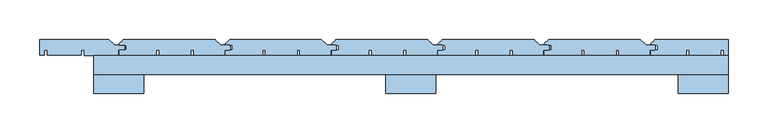
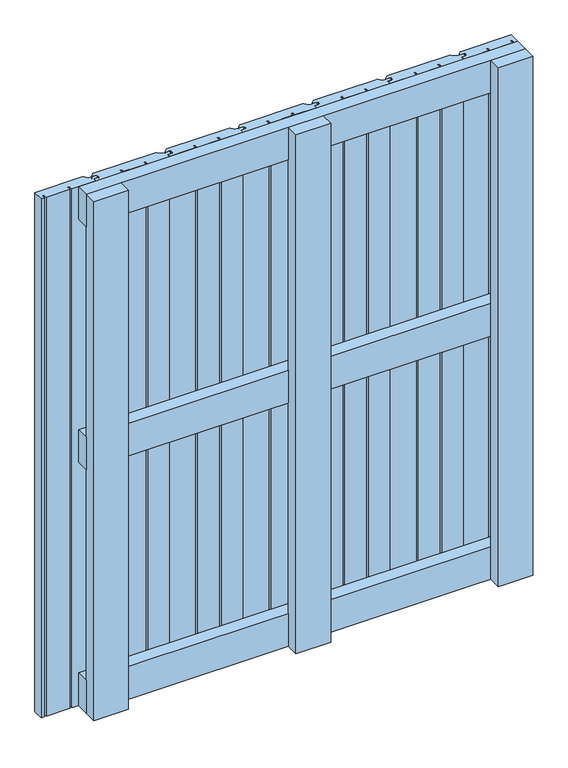
"""IFC4 building model written with IfcOpenShell, lengths in millimetres: window geometry."""

from ifc_helpers import new_model, si_unit, point, frame, frame_2d, origin, place, context, project, spatial, polyline, circle_curve, trimmed, segment, composite_curve, outline, extrude, source, transform, mapped, element, save


def window_229eb065(model_context):
    return source(origin(), model_context, "Body", "SweptSolid", [
        extrude(outline(polyline([(400.0, 60.1), (400.0, 36.1), (-400.0, 36.1), (-400.0, 60.1), (400.0, 60.1)])), frame((0.0, 0.0, 568.5), z_axis=(0.0, 0.0, 1.0), x_axis=(1.0, 0.0, 0.0)), (0.0, 0.0, 1.0), 63.0),
        extrude(outline(polyline([(400.0, 60.0), (400.0, 36.0), (-400.0, 36.0), (-400.0, 60.0), (400.0, 60.0)])), frame((0.0, 0.0, 1037.0), z_axis=(0.0, 0.0, 1.0), x_axis=(1.0, 0.0, 0.0)), (0.0, 0.0, 1.0), 63.0),
        extrude(outline(polyline([(400.0, 60.0), (400.0, 36.0), (-400.0, 36.0), (-400.0, 60.0), (400.0, 60.0)])), frame((0.0, 0.0, 100.0), z_axis=(0.0, 0.0, 1.0), x_axis=(1.0, 0.0, 0.0)), (0.0, 0.0, 1.0), 63.0),
        extrude(outline(composite_curve([segment(polyline([(-367.0, 66.5), (-360.5, 66.5)]), True, "CONTINUOUS"), segment(trimmed(circle_curve(frame_2d((-360.5, 68.0)), 1.5), [point((-360.5, 66.5))], [point((-359.0, 68.0))], True, "CARTESIAN"), True, "CONTINUOUS"), segment(polyline([(-359.0, 68.0), (-359.0, 71.5)]), True, "CONTINUOUS"), segment(trimmed(circle_curve(frame_2d((-360.5, 71.5)), 1.5), [point((-359.0, 71.5))], [point((-360.5, 73.0))], True, "CARTESIAN"), True, "CONTINUOUS"), segment(polyline([(-360.5, 73.0), (-367.0, 73.0)]), True, "CONTINUOUS"), segment(trimmed(circle_curve(frame_2d((-367.0, 74.0)), 1.0), [point((-367.0, 73.0))], [point((-367.7071068, 74.7071068))], False, "CARTESIAN"), True, "CONTINUOUS"), segment(polyline([(-367.7071068, 74.7071068), (-362.8535534, 79.5606602)]), True, "CONTINUOUS"), segment(trimmed(circle_curve(frame_2d((-361.7928932, 78.5)), 1.5), [point((-362.8535534, 79.5606602))], [point((-361.7928932, 80.0))], False, "CARTESIAN"), True, "CONTINUOUS"), segment(polyline([(-361.7928932, 80.0), (-247.6213203, 80.0)]), True, "CONTINUOUS"), segment(trimmed(circle_curve(frame_2d((-247.6213203, 78.5)), 1.5), [point((-247.6213203, 80.0))], [point((-246.5606602, 79.5606602))], False, "CARTESIAN"), True, "CONTINUOUS"), segment(polyline([(-246.5606602, 79.5606602), (-240.2928932, 73.2928932)]), True, "CONTINUOUS"), segment(trimmed(circle_curve(frame_2d((-239.5857864, 74.0)), 1.0), [point((-240.2928932, 73.2928932))], [point((-239.5857864, 73.0))], True, "CARTESIAN"), True, "CONTINUOUS"), segment(polyline([(-239.5857864, 73.0), (-229.5, 73.0)]), True, "CONTINUOUS"), segment(trimmed(circle_curve(frame_2d((-229.5, 71.5)), 1.5), [point((-229.5, 73.0))], [point((-228.0, 71.5))], False, "CARTESIAN"), True, "CONTINUOUS"), segment(polyline([(-228.0, 71.5), (-228.0, 68.0)]), True, "CONTINUOUS"), segment(trimmed(circle_curve(frame_2d((-229.5, 68.0)), 1.5), [point((-228.0, 68.0))], [point((-229.5, 66.5))], False, "CARTESIAN"), True, "CONTINUOUS"), segment(polyline([(-229.5, 66.5), (-235.0, 66.5), (-235.0, 60.0), (-274.0, 60.0), (-274.0, 66.5), (-277.5, 66.5), (-277.5, 60.5), (-317.5, 60.5), (-317.5, 66.5), (-321.0, 66.5), (-321.0, 60.0), (-368.0, 60.0), (-368.0, 65.5)]), True, "CONTINUOUS"), segment(trimmed(circle_curve(frame_2d((-367.0, 65.5)), 1.0), [point((-368.0, 65.5))], [point((-367.0, 66.5))], False, "CARTESIAN"), True, "CONTINUOUS")], self_intersect=False)), frame((0.0, 0.0, 100.0), z_axis=(0.0, 0.0, 1.0), x_axis=(1.0, 0.0, 0.0)), (0.0, 0.0, 1.0), 1000.0),
        extrude(outline(composite_curve([segment(polyline([(-233.0, 66.5), (-226.5, 66.5)]), True, "CONTINUOUS"), segment(trimmed(circle_curve(frame_2d((-226.5, 68.0)), 1.5), [point((-226.5, 66.5))], [point((-225.0, 68.0))], True, "CARTESIAN"), True, "CONTINUOUS"), segment(polyline([(-225.0, 68.0), (-225.0, 71.5)]), True, "CONTINUOUS"), segment(trimmed(circle_curve(frame_2d((-226.5, 71.5)), 1.5), [point((-225.0, 71.5))], [point((-226.5, 73.0))], True, "CARTESIAN"), True, "CONTINUOUS"), segment(polyline([(-226.5, 73.0), (-233.0, 73.0)]), True, "CONTINUOUS"), segment(trimmed(circle_curve(frame_2d((-233.0, 74.0)), 1.0), [point((-233.0, 73.0))], [point((-233.7071068, 74.7071068))], False, "CARTESIAN"), True, "CONTINUOUS"), segment(polyline([(-233.7071068, 74.7071068), (-228.8535534, 79.5606602)]), True, "CONTINUOUS"), segment(trimmed(circle_curve(frame_2d((-227.7928932, 78.5)), 1.5), [point((-228.8535534, 79.5606602))], [point((-227.7928932, 80.0))], False, "CARTESIAN"), True, "CONTINUOUS"), segment(polyline([(-227.7928932, 80.0), (-113.6213203, 80.0)]), True, "CONTINUOUS"), segment(trimmed(circle_curve(frame_2d((-113.6213203, 78.5)), 1.5), [point((-113.6213203, 80.0))], [point((-112.5606602, 79.5606602))], False, "CARTESIAN"), True, "CONTINUOUS"), segment(polyline([(-112.5606602, 79.5606602), (-106.2928932, 73.2928932)]), True, "CONTINUOUS"), segment(trimmed(circle_curve(frame_2d((-105.5857864, 74.0)), 1.0), [point((-106.2928932, 73.2928932))], [point((-105.5857864, 73.0))], True, "CARTESIAN"), True, "CONTINUOUS"), segment(polyline([(-105.5857864, 73.0), (-95.5, 73.0)]), True, "CONTINUOUS"), segment(trimmed(circle_curve(frame_2d((-95.5, 71.5)), 1.5), [point((-95.5, 73.0))], [point((-94.0, 71.5))], False, "CARTESIAN"), True, "CONTINUOUS"), segment(polyline([(-94.0, 71.5), (-94.0, 68.0)]), True, "CONTINUOUS"), segment(trimmed(circle_curve(frame_2d((-95.5, 68.0)), 1.5), [point((-94.0, 68.0))], [point((-95.5, 66.5))], False, "CARTESIAN"), True, "CONTINUOUS"), segment(polyline([(-95.5, 66.5), (-101.0, 66.5), (-101.0, 60.0), (-140.0, 60.0), (-140.0, 66.5), (-143.5, 66.5), (-143.5, 60.5), (-183.5, 60.5), (-183.5, 66.5), (-187.0, 66.5), (-187.0, 60.0), (-234.0, 60.0), (-234.0, 65.5)]), True, "CONTINUOUS"), segment(trimmed(circle_curve(frame_2d((-233.0, 65.5)), 1.0), [point((-234.0, 65.5))], [point((-233.0, 66.5))], False, "CARTESIAN"), True, "CONTINUOUS")], self_intersect=False)), frame((0.0, 0.0, 100.0), z_axis=(0.0, 0.0, 1.0), x_axis=(1.0, 0.0, 0.0)), (0.0, 0.0, 1.0), 1000.0),
        extrude(outline(composite_curve([segment(polyline([(-99.0, 66.5), (-92.5, 66.5)]), True, "CONTINUOUS"), segment(trimmed(circle_curve(frame_2d((-92.5, 68.0)), 1.5), [point((-92.5, 66.5))], [point((-91.0, 68.0))], True, "CARTESIAN"), True, "CONTINUOUS"), segment(polyline([(-91.0, 68.0), (-91.0, 71.5)]), True, "CONTINUOUS"), segment(trimmed(circle_curve(frame_2d((-92.5, 71.5)), 1.5), [point((-91.0, 71.5))], [point((-92.5, 73.0))], True, "CARTESIAN"), True, "CONTINUOUS"), segment(polyline([(-92.5, 73.0), (-99.0, 73.0)]), True, "CONTINUOUS"), segment(trimmed(circle_curve(frame_2d((-99.0, 74.0)), 1.0), [point((-99.0, 73.0))], [point((-99.7071068, 74.7071068))], False, "CARTESIAN"), True, "CONTINUOUS"), segment(polyline([(-99.7071068, 74.7071068), (-94.8535534, 79.5606602)]), True, "CONTINUOUS"), segment(trimmed(circle_curve(frame_2d((-93.7928932, 78.5)), 1.5), [point((-94.8535534, 79.5606602))], [point((-93.7928932, 80.0))], False, "CARTESIAN"), True, "CONTINUOUS"), segment(polyline([(-93.7928932, 80.0), (20.3786797, 80.0)]), True, "CONTINUOUS"), segment(trimmed(circle_curve(frame_2d((20.3786797, 78.5)), 1.5), [point((20.3786797, 80.0))], [point((21.4393398, 79.5606602))], False, "CARTESIAN"), True, "CONTINUOUS"), segment(polyline([(21.4393398, 79.5606602), (27.7071068, 73.2928932)]), True, "CONTINUOUS"), segment(trimmed(circle_curve(frame_2d((28.4142136, 74.0)), 1.0), [point((27.7071068, 73.2928932))], [point((28.4142136, 73.0))], True, "CARTESIAN"), True, "CONTINUOUS"), segment(polyline([(28.4142136, 73.0), (38.5, 73.0)]), True, "CONTINUOUS"), segment(trimmed(circle_curve(frame_2d((38.5, 71.5)), 1.5), [point((38.5, 73.0))], [point((40.0, 71.5))], False, "CARTESIAN"), True, "CONTINUOUS"), segment(polyline([(40.0, 71.5), (40.0, 68.0)]), True, "CONTINUOUS"), segment(trimmed(circle_curve(frame_2d((38.5, 68.0)), 1.5), [point((40.0, 68.0))], [point((38.5, 66.5))], False, "CARTESIAN"), True, "CONTINUOUS"), segment(polyline([(38.5, 66.5), (33.0, 66.5), (33.0, 60.0), (-6.0, 60.0), (-6.0, 66.5), (-9.5, 66.5), (-9.5, 60.5), (-49.5, 60.5), (-49.5, 66.5), (-53.0, 66.5), (-53.0, 60.0), (-100.0, 60.0), (-100.0, 65.5)]), True, "CONTINUOUS"), segment(trimmed(circle_curve(frame_2d((-99.0, 65.5)), 1.0), [point((-100.0, 65.5))], [point((-99.0, 66.5))], False, "CARTESIAN"), True, "CONTINUOUS")], self_intersect=False)), frame((0.0, 0.0, 100.0), z_axis=(0.0, 0.0, 1.0), x_axis=(1.0, 0.0, 0.0)), (0.0, 0.0, 1.0), 1000.0),
        extrude(outline(composite_curve([segment(polyline([(35.0, 66.5), (41.5, 66.5)]), True, "CONTINUOUS"), segment(trimmed(circle_curve(frame_2d((41.5, 68.0)), 1.5), [point((41.5, 66.5))], [point((43.0, 68.0))], True, "CARTESIAN"), True, "CONTINUOUS"), segment(polyline([(43.0, 68.0), (43.0, 71.5)]), True, "CONTINUOUS"), segment(trimmed(circle_curve(frame_2d((41.5, 71.5)), 1.5), [point((43.0, 71.5))], [point((41.5, 73.0))], True, "CARTESIAN"), True, "CONTINUOUS"), segment(polyline([(41.5, 73.0), (35.0, 73.0)]), True, "CONTINUOUS"), segment(trimmed(circle_curve(frame_2d((35.0, 74.0)), 1.0), [point((35.0, 73.0))], [point((34.2928932, 74.7071068))], False, "CARTESIAN"), True, "CONTINUOUS"), segment(polyline([(34.2928932, 74.7071068), (39.1464466, 79.5606602)]), True, "CONTINUOUS"), segment(trimmed(circle_curve(frame_2d((40.2071068, 78.5)), 1.5), [point((39.1464466, 79.5606602))], [point((40.2071068, 80.0))], False, "CARTESIAN"), True, "CONTINUOUS"), segment(polyline([(40.2071068, 80.0), (154.3786797, 80.0)]), True, "CONTINUOUS"), segment(trimmed(circle_curve(frame_2d((154.3786797, 78.5)), 1.5), [point((154.3786797, 80.0))], [point((155.4393398, 79.5606602))], False, "CARTESIAN"), True, "CONTINUOUS"), segment(polyline([(155.4393398, 79.5606602), (161.7071068, 73.2928932)]), True, "CONTINUOUS"), segment(trimmed(circle_curve(frame_2d((162.4142136, 74.0)), 1.0), [point((161.7071068, 73.2928932))], [point((162.4142136, 73.0))], True, "CARTESIAN"), True, "CONTINUOUS"), segment(polyline([(162.4142136, 73.0), (172.5, 73.0)]), True, "CONTINUOUS"), segment(trimmed(circle_curve(frame_2d((172.5, 71.5)), 1.5), [point((172.5, 73.0))], [point((174.0, 71.5))], False, "CARTESIAN"), True, "CONTINUOUS"), segment(polyline([(174.0, 71.5), (174.0, 68.0)]), True, "CONTINUOUS"), segment(trimmed(circle_curve(frame_2d((172.5, 68.0)), 1.5), [point((174.0, 68.0))], [point((172.5, 66.5))], False, "CARTESIAN"), True, "CONTINUOUS"), segment(polyline([(172.5, 66.5), (167.0, 66.5), (167.0, 60.0), (128.0, 60.0), (128.0, 66.5), (124.5, 66.5), (124.5, 60.5), (84.5, 60.5), (84.5, 66.5), (81.0, 66.5), (81.0, 60.0), (34.0, 60.0), (34.0, 65.5)]), True, "CONTINUOUS"), segment(trimmed(circle_curve(frame_2d((35.0, 65.5)), 1.0), [point((34.0, 65.5))], [point((35.0, 66.5))], False, "CARTESIAN"), True, "CONTINUOUS")], self_intersect=False)), frame((0.0, 0.0, 100.0), z_axis=(0.0, 0.0, 1.0), x_axis=(1.0, 0.0, 0.0)), (0.0, 0.0, 1.0), 1000.0),
        extrude(outline(composite_curve([segment(polyline([(169.0, 66.5), (175.5, 66.5)]), True, "CONTINUOUS"), segment(trimmed(circle_curve(frame_2d((175.5, 68.0)), 1.5), [point((175.5, 66.5))], [point((177.0, 68.0))], True, "CARTESIAN"), True, "CONTINUOUS"), segment(polyline([(177.0, 68.0), (177.0, 71.5)]), True, "CONTINUOUS"), segment(trimmed(circle_curve(frame_2d((175.5, 71.5)), 1.5), [point((177.0, 71.5))], [point((175.5, 73.0))], True, "CARTESIAN"), True, "CONTINUOUS"), segment(polyline([(175.5, 73.0), (169.0, 73.0)]), True, "CONTINUOUS"), segment(trimmed(circle_curve(frame_2d((169.0, 74.0)), 1.0), [point((169.0, 73.0))], [point((168.2928932, 74.7071068))], False, "CARTESIAN"), True, "CONTINUOUS"), segment(polyline([(168.2928932, 74.7071068), (173.1464466, 79.5606602)]), True, "CONTINUOUS"), segment(trimmed(circle_curve(frame_2d((174.2071068, 78.5)), 1.5), [point((173.1464466, 79.5606602))], [point((174.2071068, 80.0))], False, "CARTESIAN"), True, "CONTINUOUS"), segment(polyline([(174.2071068, 80.0), (288.3786797, 80.0)]), True, "CONTINUOUS"), segment(trimmed(circle_curve(frame_2d((288.3786797, 78.5)), 1.5), [point((288.3786797, 80.0))], [point((289.4393398, 79.5606602))], False, "CARTESIAN"), True, "CONTINUOUS"), segment(polyline([(289.4393398, 79.5606602), (295.7071068, 73.2928932)]), True, "CONTINUOUS"), segment(trimmed(circle_curve(frame_2d((296.4142136, 74.0)), 1.0), [point((295.7071068, 73.2928932))], [point((296.4142136, 73.0))], True, "CARTESIAN"), True, "CONTINUOUS"), segment(polyline([(296.4142136, 73.0), (306.5, 73.0)]), True, "CONTINUOUS"), segment(trimmed(circle_curve(frame_2d((306.5, 71.5)), 1.5), [point((306.5, 73.0))], [point((308.0, 71.5))], False, "CARTESIAN"), True, "CONTINUOUS"), segment(polyline([(308.0, 71.5), (308.0, 68.0)]), True, "CONTINUOUS"), segment(trimmed(circle_curve(frame_2d((306.5, 68.0)), 1.5), [point((308.0, 68.0))], [point((306.5, 66.5))], False, "CARTESIAN"), True, "CONTINUOUS"), segment(polyline([(306.5, 66.5), (301.0, 66.5), (301.0, 60.0), (262.0, 60.0), (262.0, 66.5), (258.5, 66.5), (258.5, 60.5), (218.5, 60.5), (218.5, 66.5), (215.0, 66.5), (215.0, 60.0), (168.0, 60.0), (168.0, 65.5)]), True, "CONTINUOUS"), segment(trimmed(circle_curve(frame_2d((169.0, 65.5)), 1.0), [point((168.0, 65.5))], [point((169.0, 66.5))], False, "CARTESIAN"), True, "CONTINUOUS")], self_intersect=False)), frame((0.0, 0.0, 100.0), z_axis=(0.0, 0.0, 1.0), x_axis=(1.0, 0.0, 0.0)), (0.0, 0.0, 1.0), 1000.0),
        extrude(outline(composite_curve([segment(polyline([(-380.5606602, 79.5606602), (-374.2928932, 73.2928932)]), True, "CONTINUOUS"), segment(trimmed(circle_curve(frame_2d((-373.5857864, 74.0)), 1.0), [point((-374.2928932, 73.2928932))], [point((-373.5857864, 73.0))], True, "CARTESIAN"), True, "CONTINUOUS"), segment(polyline([(-373.5857864, 73.0), (-362.5, 73.0)]), True, "CONTINUOUS"), segment(trimmed(circle_curve(frame_2d((-362.5, 71.5)), 1.5), [point((-362.5, 73.0))], [point((-361.0, 71.5))], False, "CARTESIAN"), True, "CONTINUOUS"), segment(polyline([(-361.0, 71.5), (-361.0, 68.0)]), True, "CONTINUOUS"), segment(trimmed(circle_curve(frame_2d((-362.5, 68.0)), 1.5), [point((-361.0, 68.0))], [point((-362.5, 66.5))], False, "CARTESIAN"), True, "CONTINUOUS"), segment(polyline([(-362.5, 66.5), (-369.0, 66.5), (-369.0, 60.0), (-412.0610702, 60.0), (-412.0610702, 66.5), (-415.5610702, 66.5), (-415.5610702, 60.5), (-458.6221403, 60.5), (-458.6221403, 66.5), (-462.1221403, 66.5), (-462.1221403, 60.5), (-468.0, 60.5), (-468.0, 80.0), (-381.6213203, 80.0)]), True, "CONTINUOUS"), segment(trimmed(circle_curve(frame_2d((-381.6213203, 78.5)), 1.5), [point((-381.6213203, 80.0))], [point((-380.5606602, 79.5606602))], False, "CARTESIAN"), True, "CONTINUOUS")], self_intersect=False)), frame((0.0, 0.0, 100.0), z_axis=(0.0, 0.0, 1.0), x_axis=(1.0, 0.0, 0.0)), (0.0, 0.0, 1.0), 1000.0),
        extrude(outline(composite_curve([segment(polyline([(303.0, 66.5), (309.5, 66.5)]), True, "CONTINUOUS"), segment(trimmed(circle_curve(frame_2d((309.5, 68.0)), 1.5), [point((309.5, 66.5))], [point((311.0, 68.0))], True, "CARTESIAN"), True, "CONTINUOUS"), segment(polyline([(311.0, 68.0), (311.0, 71.5)]), True, "CONTINUOUS"), segment(trimmed(circle_curve(frame_2d((309.5, 71.5)), 1.5), [point((311.0, 71.5))], [point((309.5, 73.0))], True, "CARTESIAN"), True, "CONTINUOUS"), segment(polyline([(309.5, 73.0), (303.0, 73.0)]), True, "CONTINUOUS"), segment(trimmed(circle_curve(frame_2d((303.0, 74.0)), 1.0), [point((303.0, 73.0))], [point((302.2928932, 74.7071068))], False, "CARTESIAN"), True, "CONTINUOUS"), segment(polyline([(302.2928932, 74.7071068), (307.1464466, 79.5606602)]), True, "CONTINUOUS"), segment(trimmed(circle_curve(frame_2d((308.2071068, 78.5)), 1.5), [point((307.1464466, 79.5606602))], [point((308.2071068, 80.0))], False, "CARTESIAN"), True, "CONTINUOUS"), segment(polyline([(308.2071068, 80.0), (400.0, 80.0), (400.0, 60.0), (394.0, 60.0), (394.0, 66.5), (390.5, 66.5), (390.5, 60.5), (350.5, 60.5), (350.5, 66.5), (347.0, 66.5), (347.0, 60.0), (302.0, 60.0), (302.0, 65.5)]), True, "CONTINUOUS"), segment(trimmed(circle_curve(frame_2d((303.0, 65.5)), 1.0), [point((302.0, 65.5))], [point((303.0, 66.5))], False, "CARTESIAN"), True, "CONTINUOUS")], self_intersect=False)), frame((0.0, 0.0, 100.0), z_axis=(0.0, 0.0, 1.0), x_axis=(1.0, 0.0, 0.0)), (0.0, 0.0, 1.0), 1000.0),
        extrude(outline(polyline([(-31.5, 36.1), (31.5, 36.1), (31.5, 12.1), (-31.5, 12.1), (-31.5, 36.1)])), frame((0.0, 0.0, 100.0), z_axis=(0.0, 0.0, 1.0), x_axis=(1.0, 0.0, 0.0)), (0.0, 0.0, 1.0), 1000.0),
        extrude(outline(polyline([(-400.0, 36.0), (-337.0, 36.0), (-337.0, 12.0), (-400.0, 12.0), (-400.0, 36.0)])), frame((0.0, 0.0, 100.0), z_axis=(0.0, 0.0, 1.0), x_axis=(1.0, 0.0, 0.0)), (0.0, 0.0, 1.0), 1000.0),
        extrude(outline(polyline([(337.0, 36.0), (400.0, 36.0), (400.0, 12.0), (337.0, 12.0), (337.0, 36.0)])), frame((0.0, 0.0, 100.0), z_axis=(0.0, 0.0, 1.0), x_axis=(1.0, 0.0, 0.0)), (0.0, 0.0, 1.0), 1000.0),
    ])


if __name__ == "__main__":
    model = new_model("IFC4")
    model_context = context("Model", 3, world=origin())
    ifc_project = project(units=[si_unit("LENGTHUNIT", "METRE", prefix="MILLI")], contexts=[model_context])
    site = spatial("IfcSite", under=ifc_project)
    building = spatial("IfcBuilding", under=site)
    placement = place(None, origin())
    window_shape = window_229eb065(model_context)
    element("IfcWindow", 1, at=placement, inside=building, context=model_context, shape_type="MappedRepresentation", body=[
        mapped(window_shape, transform((0.0, 0.0, 0.0), x_axis=(1.0, 0.0, 0.0), y_axis=(0.0, 1.0, 0.0), z_axis=(0.0, 0.0, 1.0))),
    ])
    save(model, "model.ifc")
